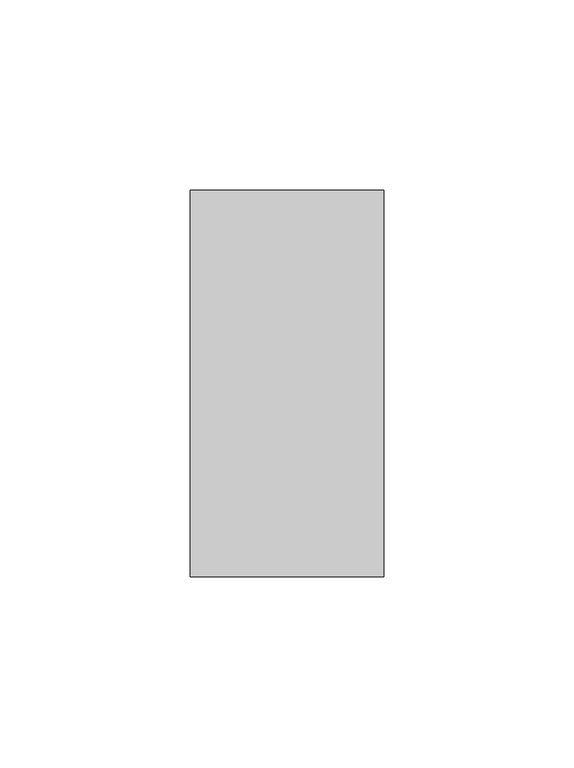
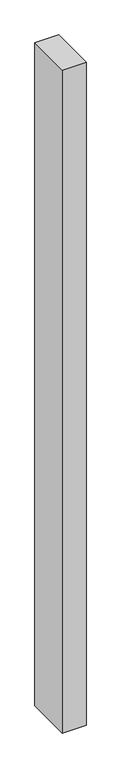
"""IFC4 building model written with IfcOpenShell, lengths in millimetres: proxy geometry."""

from ifc_helpers import new_model, si_unit, origin, origin_with_axes, place, context, project, spatial, polyline, outline, extrude, source, transform, mapped, element, save


def generic_models_3b9fdcb3(model_context):
    return source(origin(), model_context, "Body", "SweptSolid", [
        extrude(outline(polyline([(50.8, 0.0), (0.0, 0.0), (0.0, 101.6), (50.8, 101.6), (50.8, 0.0)])), origin_with_axes(), (0.0, 0.0, 1.0), 1500.0),
    ])


if __name__ == "__main__":
    model = new_model("IFC4")
    model_context = context("Model", 3, world=origin())
    ifc_project = project(units=[si_unit("LENGTHUNIT", "METRE", prefix="MILLI")], contexts=[model_context])
    site = spatial("IfcSite", under=ifc_project)
    building = spatial("IfcBuilding", under=site)
    placement = place(None, origin())
    generic_models_shape = generic_models_3b9fdcb3(model_context)
    element("IfcBuildingElementProxy", 1, Name="Generic Models", at=placement, inside=building, context=model_context, shape_type="MappedRepresentation", body=[
        mapped(generic_models_shape, transform((0.0, 0.0, 0.0), x_axis=(1.0, 0.0, 0.0), y_axis=(0.0, 1.0, 0.0), z_axis=(0.0, 0.0, 1.0))),
    ])
    save(model, "model.ifc")
